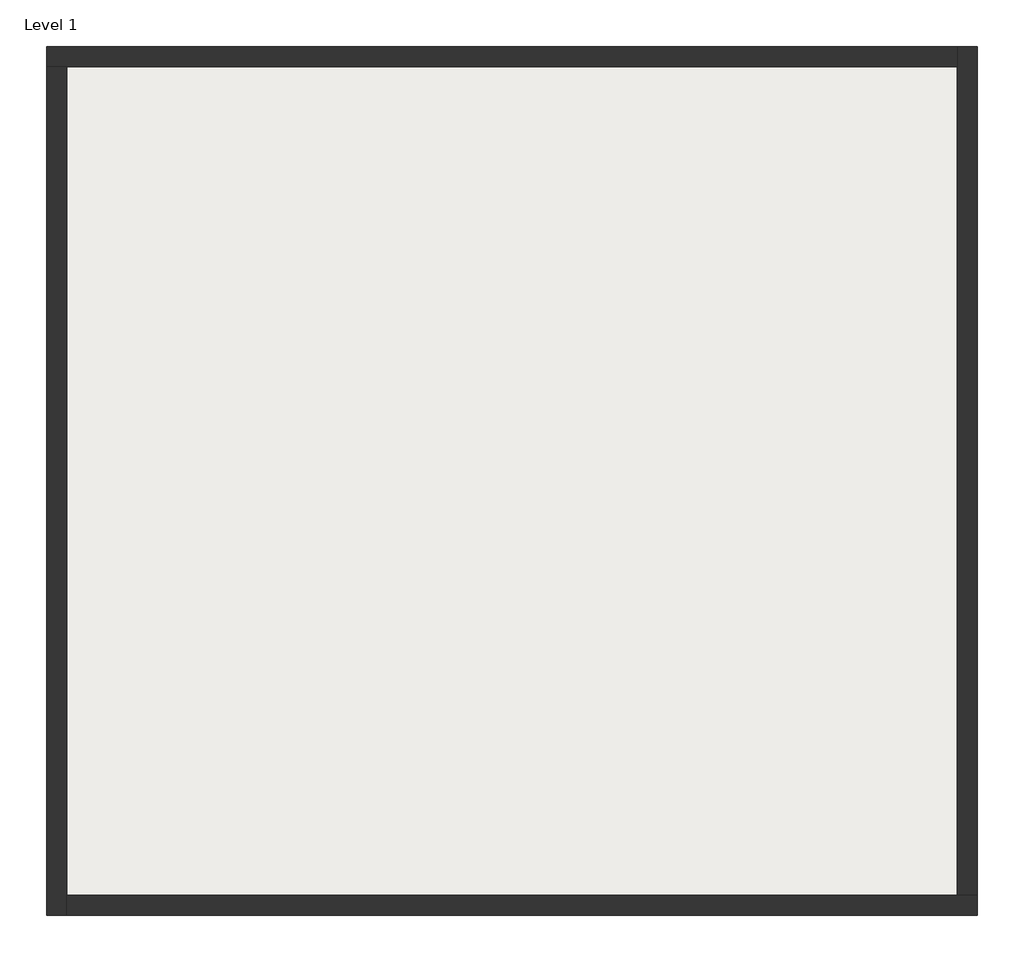
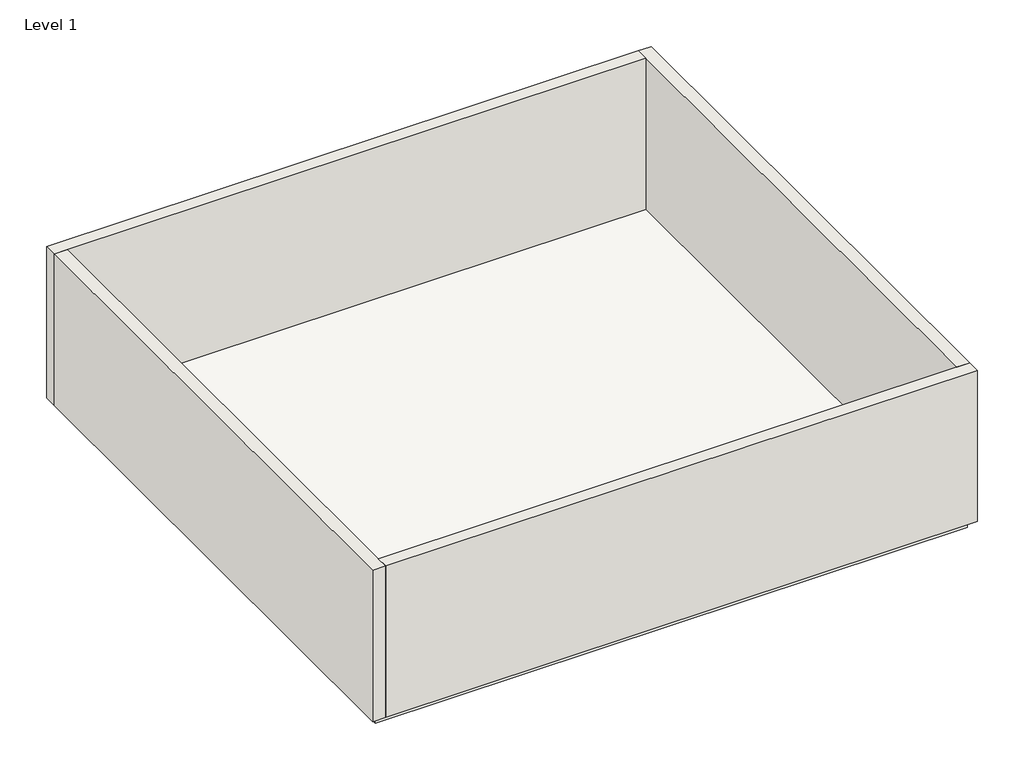
# One storey: 4 walls, 1 slab.
"""IFC4 building model written with IfcOpenShell, lengths in millimetres."""

from ifc_helpers import new_model, si_unit, frame, origin, place, context, project, spatial, polyline, outline, extrude, faceted_brep, element, save

model = new_model("IFC4")

# Units and contexts
model_context = context("Model", 3, world=origin())
ifc_project = project(units=[si_unit("LENGTHUNIT", "METRE", prefix="MILLI")], contexts=[model_context])

# Site, building, storey
site = spatial("IfcSite", under=ifc_project)
building = spatial("IfcBuilding", under=site)
storey = spatial("IfcBuildingStorey", under=building, Name="Level 1", Elevation=0.0)

# Slab
placement = place(None, origin())
element("IfcSlab", 1, ObjectType="Generic - 12\"", at=placement, inside=storey, context=model_context, shape_type="SweptSolid", body=[
    extrude(outline(polyline([(10728.8593226, 12912.5782472), (10728.8593226, -8124.9717528), (-11832.6906774, -8124.9717528), (-11832.6906774, 12912.5782472), (10728.8593226, 12912.5782472)])), frame((0.0, 0.0, -304.8), z_axis=(0.0, 0.0, 1.0), x_axis=(1.0, 0.0, 0.0)), (0.0, 0.0, 1.0), 304.8),
])

# Walls
element("IfcWall", 2, ObjectType="Exterior - Brick on CMU", at=placement, inside=storey, context=model_context, shape_type="Brep", body=[
    faceted_brep([(-12077.1656774, 12661.7532472, 0.0), (-11581.8656774, 12661.7532472, 0.0), (10478.0343226, 12661.7532472, 0.0), (10478.0343226, 12661.7532472, 6096.0), (-11581.8656774, 12661.7532472, 6096.0), (-12077.1656774, 12661.7532472, 6096.0), (-12077.1656774, 13157.0532472, 0.0), (-12077.1656774, 13157.0532472, 6096.0), (10478.0343226, 13157.0532472, 6096.0), (10478.0343226, 13157.0532472, 0.0)], [[[0, 1, 2, 3, 4, 5]], [[6, 7, 8, 9]], [[2, 1, 0, 6, 9]], [[5, 4, 3, 8, 7]], [[0, 5, 7, 6]], [[3, 2, 9, 8]]]),
])
element("IfcWall", 3, ObjectType="Exterior - Brick on CMU", at=placement, inside=storey, context=model_context, shape_type="Brep", body=[
    faceted_brep([(-11581.8656774, -8369.4467528, 0.0), (-11581.8656774, -7874.1467528, 0.0), (-11581.8656774, 12661.7532472, 0.0), (-11581.8656774, 12661.7532472, 6096.0), (-11581.8656774, -7874.1467528, 6096.0), (-11581.8656774, -8369.4467528, 6096.0), (-12077.1656774, -8369.4467528, 0.0), (-12077.1656774, -8369.4467528, 6096.0), (-12077.1656774, 12661.7532472, 6096.0), (-12077.1656774, 12661.7532472, 0.0)], [[[0, 1, 2, 3, 4, 5]], [[6, 7, 8, 9]], [[2, 1, 0, 6, 9]], [[5, 4, 3, 8, 7]], [[0, 5, 7, 6]], [[3, 2, 9, 8]]]),
])
element("IfcWall", 4, ObjectType="Exterior - Brick on CMU", at=placement, inside=storey, context=model_context, shape_type="Brep", body=[
    faceted_brep([(10973.3343226, -7874.1467528, 0.0), (10478.0343226, -7874.1467528, 0.0), (-11581.8656774, -7874.1467528, 0.0), (-11581.8656774, -7874.1467528, 6096.0), (10478.0343226, -7874.1467528, 6096.0), (10973.3343226, -7874.1467528, 6096.0), (10973.3343226, -8369.4467528, 0.0), (10973.3343226, -8369.4467528, 6096.0), (-11581.8656774, -8369.4467528, 6096.0), (-11581.8656774, -8369.4467528, 0.0)], [[[0, 1, 2, 3, 4, 5]], [[6, 7, 8, 9]], [[2, 1, 0, 6, 9]], [[5, 4, 3, 8, 7]], [[0, 5, 7, 6]], [[3, 2, 9, 8]]]),
])
element("IfcWall", 5, ObjectType="Exterior - Brick on CMU", at=placement, inside=storey, context=model_context, shape_type="Brep", body=[
    faceted_brep([(10478.0343226, 13157.0532472, 0.0), (10478.0343226, 12661.7532472, 0.0), (10478.0343226, -7874.1467528, 0.0), (10478.0343226, -7874.1467528, 6096.0), (10478.0343226, 12661.7532472, 6096.0), (10478.0343226, 13157.0532472, 6096.0), (10973.3343226, 13157.0532472, 0.0), (10973.3343226, 13157.0532472, 6096.0), (10973.3343226, -7874.1467528, 6096.0), (10973.3343226, -7874.1467528, 0.0)], [[[0, 1, 2, 3, 4, 5]], [[6, 7, 8, 9]], [[2, 1, 0, 6, 9]], [[5, 4, 3, 8, 7]], [[0, 5, 7, 6]], [[3, 2, 9, 8]]]),
])

save(model, "model.ifc")
